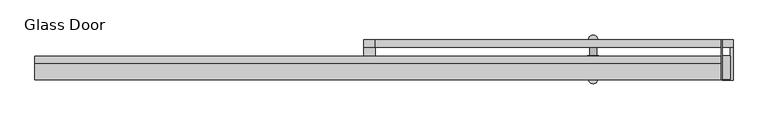
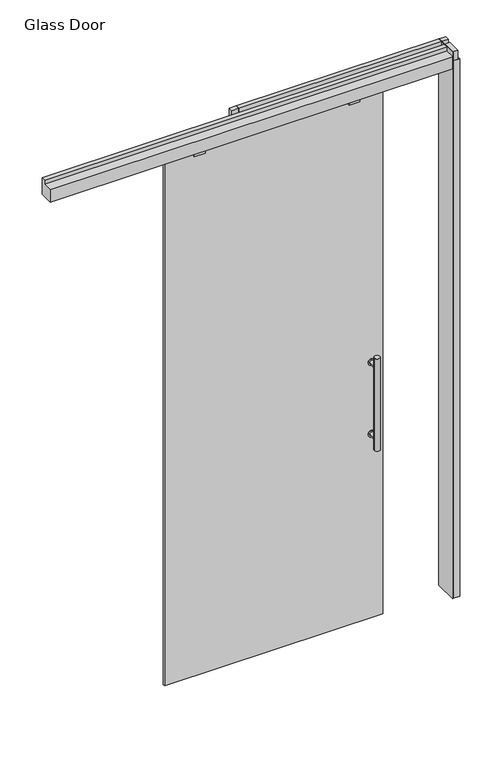
"""IFC4 building model written with IfcOpenShell, lengths in millimetres: plate geometry, Glass Door."""

import ifcopenshell
import ifcopenshell.guid

model = None  # the IFC model being written
_history = None  # IfcOwnerHistory: only IFC2X3 demands one
_inside = {}  # id of a spatial element -> (the spatial element, [elements in it])
_under = {}  # id of a project, library or spatial element -> (it, [spatial elements below it])
_declared = {}  # id of a project -> (the project, [libraries it declares])
_typed = {}  # id of a type object -> (the type object, [elements of that type])
_made_of = {}  # id of a material, layer set ... -> (it, [elements and type objects made of it])


def new_model(schema):
    """Start an empty IFC model of exactly this schema.

    Asked for "IFC4X3", IfcOpenShell would pick the latest addendum, in which some entities
    have other attributes; the version numbers below select the first issue.
    IFC2X3 requires an IfcOwnerHistory on every rooted entity: one is made here for all.
    """
    global model, _history
    if schema == "IFC4X3":
        model = ifcopenshell.file(schema_version=(4, 3, 0, 0))
    else:
        model = ifcopenshell.file(schema=schema)
    _inside.clear()
    _under.clear()
    _declared.clear()
    _typed.clear()
    _made_of.clear()
    _history = None
    if model.schema == "IFC2X3":
        org = make("IfcOrganization", Name="unknown")
        user = make(
            "IfcPersonAndOrganization",
            ThePerson=make("IfcPerson", FamilyName="unknown"),
            TheOrganization=org,
        )
        app = make(
            "IfcApplication",
            ApplicationDeveloper=org,
            Version="unknown",
            ApplicationFullName="unknown",
            ApplicationIdentifier="unknown",
        )
        _history = make(
            "IfcOwnerHistory",
            OwningUser=user,
            OwningApplication=app,
            ChangeAction="ADDED",
            CreationDate=0,
        )
    return model


def make(cls, **values):
    """One entity of the class cls with the attributes given. An attribute that is None is left unset."""
    return model.create_entity(
        cls, **{name: value for name, value in values.items() if value is not None}
    )


def rooted(cls, **values):
    """An entity with a GlobalId (a new one), such as an element, a storey or a relation."""
    return make(cls, GlobalId=ifcopenshell.guid.new(), OwnerHistory=_history, **values)


def si_unit(unit_type, name, prefix=None):
    """IfcSIUnit, for example si_unit("LENGTHUNIT", "METRE", prefix="MILLI")."""
    return make("IfcSIUnit", UnitType=unit_type, Prefix=prefix, Name=name)


def assignment(units):
    """IfcUnitAssignment: the units of a project."""
    return None if units is None else make("IfcUnitAssignment", Units=units)


def point(xyz):
    """IfcCartesianPoint."""
    return None if xyz is None else make("IfcCartesianPoint", Coordinates=xyz)


def direction(xyz):
    """IfcDirection."""
    return None if xyz is None else make("IfcDirection", DirectionRatios=xyz)


def frame(location, z_axis=None, x_axis=None):
    """IfcAxis2Placement3D, a coordinate frame: its origin and axes. An axis left out is left unset."""
    return make(
        "IfcAxis2Placement3D",
        Location=point(location),
        Axis=direction(z_axis),
        RefDirection=direction(x_axis),
    )


def frame_2d(location, x_axis=None):
    """IfcAxis2Placement2D, a coordinate frame in the plane: its origin and x axis."""
    return make(
        "IfcAxis2Placement2D", Location=point(location), RefDirection=direction(x_axis)
    )


def origin():
    """The frame at (0, 0, 0) with its axes left unset."""
    return frame((0.0, 0.0, 0.0))


def origin_with_axes():
    """The frame at (0, 0, 0) with the z axis (0, 0, 1) and the x axis (1, 0, 0) written out."""
    return frame((0.0, 0.0, 0.0), z_axis=(0.0, 0.0, 1.0), x_axis=(1.0, 0.0, 0.0))


def place(relative_to, where):
    """IfcLocalPlacement: puts the frame where relative to a parent placement (None: the world)."""
    return make(
        "IfcLocalPlacement", PlacementRelTo=relative_to, RelativePlacement=where
    )


def context(
    kind, dimensions, precision=None, world=None, true_north=None, identifier=None
):
    """IfcGeometricRepresentationContext, for example the 3D "Model" context."""
    return make(
        "IfcGeometricRepresentationContext",
        ContextIdentifier=identifier,
        ContextType=kind,
        CoordinateSpaceDimension=dimensions,
        Precision=precision,
        WorldCoordinateSystem=world,
        TrueNorth=true_north,
    )


def project(units=None, contexts=None):
    """IfcProject with its units and contexts."""
    return rooted(
        "IfcProject",
        Name="project",
        RepresentationContexts=contexts,
        UnitsInContext=assignment(units),
    )


def spatial(cls, under=None, at=None, **own):
    """A site, building, storey or space (cls), placed at a placement, below another one or the project."""
    s = rooted(cls, ObjectPlacement=at, **own)
    if under is not None:
        _under.setdefault(under.id(), (under, []))[1].append(s)
    return s


def polyline(points):
    """IfcPolyline through the points."""
    return make("IfcPolyline", Points=[point(p) for p in points])


def circle_curve(where, radius):
    """IfcCircle in the frame where."""
    return make("IfcCircle", Position=where, Radius=radius)


def trimmed(basis, trim1, trim2, sense, master):
    """IfcTrimmedCurve: the piece of a basis curve between two trims."""
    return make(
        "IfcTrimmedCurve",
        BasisCurve=basis,
        Trim1=trim1,
        Trim2=trim2,
        SenseAgreement=sense,
        MasterRepresentation=master,
    )


def segment(curve, same_sense, transition):
    """IfcCompositeCurveSegment."""
    return make(
        "IfcCompositeCurveSegment",
        Transition=transition,
        SameSense=same_sense,
        ParentCurve=curve,
    )


def composite_curve(segments, self_intersect=None):
    """IfcCompositeCurve: segments joined end to end."""
    return make("IfcCompositeCurve", Segments=segments, SelfIntersect=self_intersect)


def outline(outer, holes=None, kind="AREA"):
    """IfcArbitraryClosedProfileDef: a profile drawn as a closed curve; with holes, ...WithVoids."""
    if holes is None:
        return make("IfcArbitraryClosedProfileDef", ProfileType=kind, OuterCurve=outer)
    return make(
        "IfcArbitraryProfileDefWithVoids",
        ProfileType=kind,
        OuterCurve=outer,
        InnerCurves=holes,
    )


def extrude(swept, where, along, depth):
    """IfcExtrudedAreaSolid: the profile swept, set in the frame where, extruded along a direction by depth."""
    return make(
        "IfcExtrudedAreaSolid",
        SweptArea=swept,
        Position=where,
        ExtrudedDirection=direction(along),
        Depth=depth,
    )


def shape(context_of_items, identifier, shape_type, items):
    """IfcShapeRepresentation: the items that make up one representation, for example the "Body"."""
    return make(
        "IfcShapeRepresentation",
        ContextOfItems=context_of_items,
        RepresentationIdentifier=identifier,
        RepresentationType=shape_type,
        Items=items,
    )


def source(mapping_origin, context_of_items, identifier, shape_type, items):
    """IfcRepresentationMap: a shape defined once, which mapped items show again and again."""
    return make(
        "IfcRepresentationMap",
        MappingOrigin=mapping_origin,
        MappedRepresentation=shape(context_of_items, identifier, shape_type, items),
    )


def transform(
    local_origin,
    x_axis=None,
    y_axis=None,
    z_axis=None,
    scale=None,
    scale2=None,
    scale3=None,
    uniform=True,
):
    """IfcCartesianTransformationOperator3D, or its non-uniform kind. x_axis, y_axis, z_axis: its Axis1, 2, 3."""
    if uniform:
        return make(
            "IfcCartesianTransformationOperator3D",
            Axis1=direction(x_axis),
            Axis2=direction(y_axis),
            LocalOrigin=point(local_origin),
            Scale=scale,
            Axis3=direction(z_axis),
        )
    return make(
        "IfcCartesianTransformationOperator3DnonUniform",
        Axis1=direction(x_axis),
        Axis2=direction(y_axis),
        LocalOrigin=point(local_origin),
        Scale=scale,
        Axis3=direction(z_axis),
        Scale2=scale2,
        Scale3=scale3,
    )


def mapped(mapping_source, mapping_target):
    """IfcMappedItem: shows the shape of a source again, moved by a transform."""
    return make(
        "IfcMappedItem", MappingSource=mapping_source, MappingTarget=mapping_target
    )


def made_of(thing, what):
    """Note that an element or type object is made of a material, layer set ...; save() writes the relation."""
    if what is not None:
        _made_of.setdefault(what.id(), (what, []))[1].append(thing)
    return thing


def element(
    cls,
    number,
    at=None,
    inside=None,
    cuts=None,
    type_object=None,
    material=None,
    context=None,
    identifier="Body",
    shape_type=None,
    held_by="IfcProductDefinitionShape",
    body=None,
    shapes=None,
    **own,
):
    """One element of the class cls, such as IfcWall. Its Tag is "e" and its number.

    at: its placement. inside: the storey or other place that contains it. cuts: it is an
    opening in that element (IfcRelVoidsElement). A single representation is given by context,
    identifier, shape_type and body (its items); several are given by shapes. held_by: the class
    of the entity that holds the representations. save() writes the other relations.
    """
    e = rooted(cls, Tag="e%d" % number, ObjectPlacement=at, **own)
    if body is not None:
        shapes = [shape(context, identifier, shape_type, body)]
    if shapes is not None:
        e.Representation = make(held_by, Representations=shapes)
    if inside is not None:
        _inside.setdefault(inside.id(), (inside, []))[1].append(e)
    if cuts is not None:
        rooted(
            "IfcRelVoidsElement", RelatingBuildingElement=cuts, RelatedOpeningElement=e
        )
    if type_object is not None:
        _typed.setdefault(type_object.id(), (type_object, []))[1].append(e)
    return made_of(e, material)


def aggregate(whole, parts):
    """IfcRelAggregates: a whole, such as a stair, and the parts it consists of."""
    return rooted("IfcRelAggregates", RelatingObject=whole, RelatedObjects=parts)


def save(model, path):
    """Write the relations noted so far, then the file.

    IfcRelAggregates (storeys below a building ...), IfcRelContainedInSpatialStructure (elements
    in a storey), IfcRelDefinesByType, IfcRelAssociatesMaterial and IfcRelDeclares: one each for
    every whole, place, type object, material and project.
    """
    for whole, parts in _under.values():
        aggregate(whole, parts)
    for where, things in _inside.values():
        rooted(
            "IfcRelContainedInSpatialStructure",
            RelatedElements=things,
            RelatingStructure=where,
        )
    for kind, things in _typed.values():
        rooted("IfcRelDefinesByType", RelatedObjects=things, RelatingType=kind)
    for what, things in _made_of.values():
        rooted("IfcRelAssociatesMaterial", RelatedObjects=things, RelatingMaterial=what)
    for by, libraries in _declared.values():
        rooted("IfcRelDeclares", RelatingContext=by, RelatedDefinitions=libraries)
    model.write(path)


def glass_door_6b9df489(model_context):
    return source(origin(), model_context, "Body", "SweptSolid", [
        extrude(outline(composite_curve([segment(trimmed(circle_curve(frame_2d((1267.7758628, 122.9502762)), 15.5007671), [point((1267.7758628, 107.449509))], [point((1267.7758628, 138.4510433))], False, "CARTESIAN"), True, "CONTINUOUS"), segment(trimmed(circle_curve(frame_2d((1267.7758628, 122.9502762)), 15.5007671), [point((1267.7758628, 138.4510433))], [point((1267.7758628, 107.449509))], False, "CARTESIAN"), True, "CONTINUOUS")], self_intersect=False)), frame((0.0, -15.2147122, 0.0), z_axis=(0.0, 1.0, 0.0), x_axis=(0.0, 0.0, 1.0)), (0.0, 0.0, 1.0), 3.556),
        extrude(outline(composite_curve([segment(trimmed(circle_curve(frame_2d((912.5206255, 122.9502762)), 15.5007671), [point((912.5206255, 107.449509))], [point((912.5206255, 138.4510433))], False, "CARTESIAN"), True, "CONTINUOUS"), segment(trimmed(circle_curve(frame_2d((912.5206255, 122.9502762)), 15.5007671), [point((912.5206255, 138.4510433))], [point((912.5206255, 107.449509))], False, "CARTESIAN"), True, "CONTINUOUS")], self_intersect=False)), frame((0.0, -15.2147122, 0.0), z_axis=(0.0, 1.0, 0.0), x_axis=(0.0, 0.0, 1.0)), (0.0, 0.0, 1.0), 3.556),
        extrude(outline(composite_curve([segment(trimmed(circle_curve(frame_2d((912.5206255, 122.9502762)), 9.4326721), [point((912.5206255, 113.5176041))], [point((912.5206255, 132.3829482))], False, "CARTESIAN"), True, "CONTINUOUS"), segment(trimmed(circle_curve(frame_2d((912.5206255, 122.9502762)), 9.4326721), [point((912.5206255, 132.3829482))], [point((912.5206255, 113.5176041))], False, "CARTESIAN"), True, "CONTINUOUS")], self_intersect=False)), frame((0.0, -11.6587122, 0.0), z_axis=(0.0, 1.0, 0.0), x_axis=(0.0, 0.0, 1.0)), (0.0, 0.0, 1.0), 44.4031381),
        extrude(outline(composite_curve([segment(trimmed(circle_curve(frame_2d((1267.7758628, 122.9502762)), 9.4326721), [point((1267.7758628, 113.5176041))], [point((1267.7758628, 132.3829482))], False, "CARTESIAN"), True, "CONTINUOUS"), segment(trimmed(circle_curve(frame_2d((1267.7758628, 122.9502762)), 9.4326721), [point((1267.7758628, 132.3829482))], [point((1267.7758628, 113.5176041))], False, "CARTESIAN"), True, "CONTINUOUS")], self_intersect=False)), frame((0.0, -11.6587122, 0.0), z_axis=(0.0, 1.0, 0.0), x_axis=(0.0, 0.0, 1.0)), (0.0, 0.0, 1.0), 44.4031381),
        extrude(outline(composite_curve([segment(trimmed(circle_curve(frame_2d((122.9502762, 32.7444259)), 12.7), [point((110.2502762, 32.7444259))], [point((135.6502762, 32.7444259))], False, "CARTESIAN"), True, "CONTINUOUS"), segment(trimmed(circle_curve(frame_2d((122.9502762, 32.7444259)), 12.7), [point((135.6502762, 32.7444259))], [point((110.2502762, 32.7444259))], False, "CARTESIAN"), True, "CONTINUOUS")], self_intersect=False)), frame((0.0, 0.0, 861.5482441), z_axis=(0.0, 0.0, 1.0), x_axis=(1.0, 0.0, 0.0)), (0.0, 0.0, 1.0), 457.2),
        extrude(outline(composite_curve([segment(trimmed(circle_curve(frame_2d((1267.7758628, 122.9502762)), 15.5007671), [point((1267.7758628, 107.449509))], [point((1267.7758628, 138.4510433))], False, "CARTESIAN"), True, "CONTINUOUS"), segment(trimmed(circle_curve(frame_2d((1267.7758628, 122.9502762)), 15.5007671), [point((1267.7758628, 138.4510433))], [point((1267.7758628, 107.449509))], False, "CARTESIAN"), True, "CONTINUOUS")], self_intersect=False)), frame((0.0, -31.4707122, 0.0), z_axis=(0.0, 1.0, 0.0), x_axis=(0.0, 0.0, 1.0)), (0.0, 0.0, 1.0), 3.556),
        extrude(outline(composite_curve([segment(trimmed(circle_curve(frame_2d((912.5206255, 122.9502762)), 15.5007671), [point((912.5206255, 107.449509))], [point((912.5206255, 138.4510433))], False, "CARTESIAN"), True, "CONTINUOUS"), segment(trimmed(circle_curve(frame_2d((912.5206255, 122.9502762)), 15.5007671), [point((912.5206255, 138.4510433))], [point((912.5206255, 107.449509))], False, "CARTESIAN"), True, "CONTINUOUS")], self_intersect=False)), frame((0.0, -31.4707122, 0.0), z_axis=(0.0, 1.0, 0.0), x_axis=(0.0, 0.0, 1.0)), (0.0, 0.0, 1.0), 3.556),
        extrude(outline(composite_curve([segment(trimmed(circle_curve(frame_2d((912.5206255, 122.9502762)), 9.4326721), [point((912.5206255, 113.5176041))], [point((912.5206255, 132.3829482))], False, "CARTESIAN"), True, "CONTINUOUS"), segment(trimmed(circle_curve(frame_2d((912.5206255, 122.9502762)), 9.4326721), [point((912.5206255, 132.3829482))], [point((912.5206255, 113.5176041))], False, "CARTESIAN"), True, "CONTINUOUS")], self_intersect=False)), frame((0.0, -75.8738503, 0.0), z_axis=(0.0, 1.0, 0.0), x_axis=(0.0, 0.0, 1.0)), (0.0, 0.0, 1.0), 44.4031381),
        extrude(outline(composite_curve([segment(trimmed(circle_curve(frame_2d((1267.7758628, 122.9502762)), 9.4326721), [point((1267.7758628, 113.5176041))], [point((1267.7758628, 132.3829482))], False, "CARTESIAN"), True, "CONTINUOUS"), segment(trimmed(circle_curve(frame_2d((1267.7758628, 122.9502762)), 9.4326721), [point((1267.7758628, 132.3829482))], [point((1267.7758628, 113.5176041))], False, "CARTESIAN"), True, "CONTINUOUS")], self_intersect=False)), frame((0.0, -75.8738503, 0.0), z_axis=(0.0, 1.0, 0.0), x_axis=(0.0, 0.0, 1.0)), (0.0, 0.0, 1.0), 44.4031381),
        extrude(outline(composite_curve([segment(trimmed(circle_curve(frame_2d((122.9502762, -75.8738503)), 12.7), [point((110.2502762, -75.8738503))], [point((135.6502762, -75.8738503))], False, "CARTESIAN"), True, "CONTINUOUS"), segment(trimmed(circle_curve(frame_2d((122.9502762, -75.8738503)), 12.7), [point((135.6502762, -75.8738503))], [point((110.2502762, -75.8738503))], False, "CARTESIAN"), True, "CONTINUOUS")], self_intersect=False)), frame((0.0, 0.0, 861.5482441), z_axis=(0.0, 0.0, 1.0), x_axis=(1.0, 0.0, 0.0)), (0.0, 0.0, 1.0), 457.2),
        extrude(outline(polyline([(475.76102, 32.4102878), (477.79302, 32.4102878), (477.79302, -78.5748921), (475.76102, -78.5748921), (475.76102, 32.4102878)])), origin_with_axes(), (0.0, 0.0, 1.0), 2709.3182131),
        extrude(outline(polyline([(477.79302, 31.9657855), (508.0, 31.9657855), (508.0, 11.7473709), (477.79302, 11.7473709), (477.79302, 31.9657855)])), frame((0.0, 0.0, 2665.984), z_axis=(0.0, 0.0, 1.0), x_axis=(1.0, 0.0, 0.0)), (0.0, 0.0, 1.0), 43.3342131),
        extrude(outline(polyline([(500.2529999, -11.7476378), (500.2529999, -76.5428917), (477.79302, -76.5428917), (477.79302, -11.7476378), (500.2529999, -11.7476378)])), frame((0.0, 0.0, 2665.984), z_axis=(0.0, 0.0, 1.0), x_axis=(1.0, 0.0, 0.0)), (0.0, 0.0, 1.0), 43.3342131),
        extrude(outline(polyline([(508.0, 32.4102878), (508.0, -78.5748921), (477.79302, -78.5748921), (477.79302, -76.5428917), (500.2529999, -76.5428917), (500.2529999, 30.3782748), (477.79302, 30.3782748), (477.79302, 32.4102878), (508.0, 32.4102878)])), origin_with_axes(), (0.0, 0.0, 1.0), 2665.984),
        extrude(outline(polyline([(-508.0, 32.4102878), (-475.76102, 32.4102878), (-475.76102, -12.394152), (-508.0, -12.394152), (-508.0, 32.4102878)])), origin_with_axes(), (0.0, 0.0, 1.0), 2665.984),
        extrude(outline(polyline([(475.76102, 31.9657855), (475.76102, 11.7473709), (-475.76102, 11.7473709), (-475.76102, 31.9657855), (475.76102, 31.9657855)])), frame((0.0, 0.0, 2626.7682131), z_axis=(0.0, 0.0, 1.0), x_axis=(1.0, 0.0, 0.0)), (0.0, 0.0, 1.0), 82.55),
        extrude(outline(polyline([(-508.0, 31.9657855), (-475.76102, 31.9657855), (-475.76102, 11.7473709), (-508.0, 11.7473709), (-508.0, 31.9657855)])), frame((0.0, 0.0, 2665.984), z_axis=(0.0, 0.0, 1.0), x_axis=(1.0, 0.0, 0.0)), (0.0, 0.0, 1.0), 43.3342131),
        extrude(outline(polyline([(-660.2951926, -36.1536677), (-711.42705, -36.1536677), (-711.42705, -27.9147122), (-660.2951926, -27.9147122), (-660.2951926, -36.1536677)])), frame((0.0, 0.0, 2581.9099031), z_axis=(0.0, 0.0, 1.0), x_axis=(1.0, 0.0, 0.0)), (0.0, 0.0, 1.0), 44.85831),
        extrude(outline(polyline([(65.0127702, -36.1536677), (14.2128187, -36.1536677), (14.2128187, -27.9147122), (65.0127702, -27.9147122), (65.0127702, -36.1536677)])), frame((0.0, 0.0, 2581.9099031), z_axis=(0.0, 0.0, 1.0), x_axis=(1.0, 0.0, 0.0)), (0.0, 0.0, 1.0), 44.85831),
        extrude(outline(polyline([(-32.9183918, 2709.3182131), (-12.7000057, 2709.3182131), (-12.7000057, 2626.7682131), (-78.5748921, 2626.7682131), (-78.5748921, 2688.4122202), (-32.9183918, 2688.4122202), (-32.9183918, 2709.3182131)])), frame((-1412.3891575, 0.0, 0.0), z_axis=(1.0, 0.0, 0.0), x_axis=(0.0, 1.0, 0.0)), (0.0, 0.0, 1.0), 1888.1501775),
        extrude(outline(polyline([(176.8490762, -27.9147122), (-846.680391, -27.9147122), (-846.680391, -17.7868078), (176.8490762, -17.7868078), (176.8490762, -27.9147122)])), origin_with_axes(), (0.0, 0.0, 1.0), 2626.7682131),
    ])


if __name__ == "__main__":
    model = new_model("IFC4")
    model_context = context("Model", 3, world=origin())
    ifc_project = project(units=[si_unit("LENGTHUNIT", "METRE", prefix="MILLI")], contexts=[model_context])
    site = spatial("IfcSite", under=ifc_project)
    building = spatial("IfcBuilding", under=site)
    placement = place(None, origin())
    glass_door_shape = glass_door_6b9df489(model_context)
    element("IfcPlate", 1, ObjectType="Glass Door", at=placement, inside=building, context=model_context, shape_type="MappedRepresentation", body=[
        mapped(glass_door_shape, transform((0.0, 0.0, 0.0), x_axis=(1.0, 0.0, 0.0), y_axis=(0.0, 1.0, 0.0), z_axis=(0.0, 0.0, 1.0))),
    ])
    save(model, "model.ifc")
